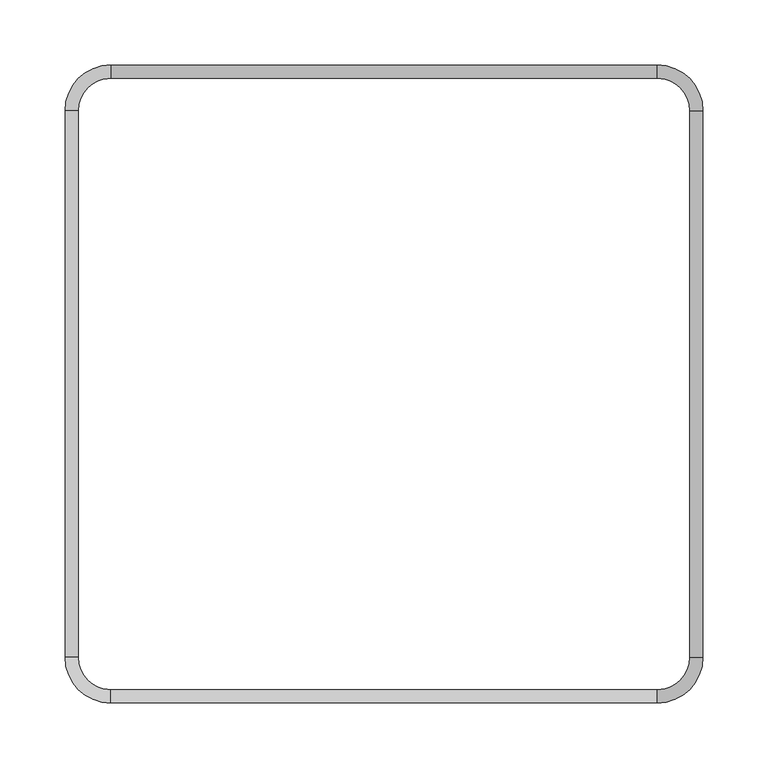
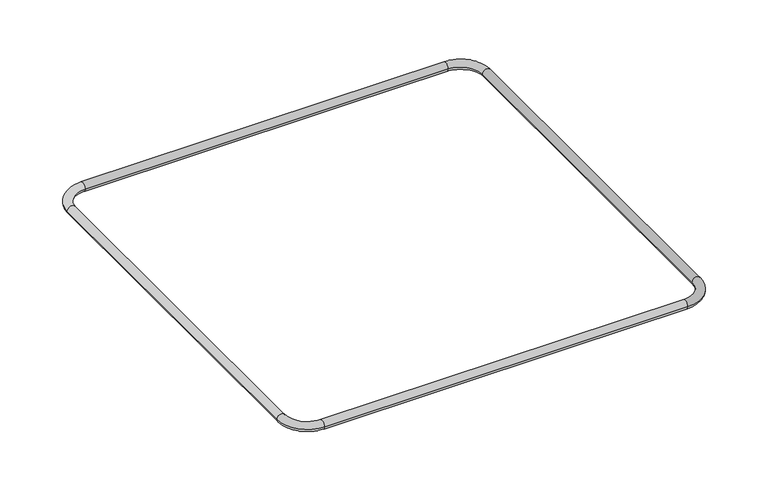
"""IFC4 building model written with IfcOpenShell, lengths in millimetres: beam geometry."""

from ifc_helpers import new_model, si_unit, point, frame, origin, place, context, project, spatial, circle_curve, ellipse_curve, trimmed, source, transform, mapped, element, save
from ifc_brep_helpers import cylinder_surface, revolved_surface, advanced_brep


def beam_b8ff6dec(model_context):
    return source(origin(), model_context, "Body", "AdvancedBrep", [
        advanced_brep(
        [(245.0, 210.0, 0.0), (210.0, 245.0, 0.0), (210.0, 235.0, 0.0), (235.0, 210.0, 0.0), (235.0, -210.0, 0.0), (245.0, -210.0, 0.0), (210.0, -245.0, 0.0), (210.0, -235.0, 0.0), (-210.0, -235.0, 0.0), (-210.0, -245.0, 0.0), (-245.0, -210.0, 0.0), (-235.0, -210.0, 0.0), (-235.0, 210.0, 0.0), (-245.0, 210.0, 0.0), (-210.0, 245.0, 0.0), (-210.0, 235.0, 0.0)],
        [
            (0, 1, circle_curve(frame((210.0, 210.0, 0.0), z_axis=(0.0, 0.0, 1.0), x_axis=(0.0, 1.0, 0.0)), 35.0)),
            (1, 2, circle_curve(frame((210.0, 240.0, 0.0), z_axis=(1.0, 0.0, 0.0), x_axis=(0.0, 1.0, 0.0)), 5.0)),
            (2, 3, circle_curve(frame((210.0, 210.0, 0.0), z_axis=(0.0, 0.0, -1.0), x_axis=(0.0, 1.0, 0.0)), 25.0)),
            (3, 0, circle_curve(frame((240.0, 210.0, 0.0), z_axis=(0.0, 1.0, 0.0), x_axis=(1.0, 0.0, 0.0)), 5.0)),
            (2, 1, circle_curve(frame((210.0, 240.0, 0.0), z_axis=(1.0, 0.0, 0.0), x_axis=(0.0, 1.0, 0.0)), 5.0)),
            (0, 3, circle_curve(frame((240.0, 210.0, 0.0), z_axis=(0.0, 1.0, 0.0), x_axis=(1.0, 0.0, 0.0)), 5.0)),
            (3, 4),
            (4, 5, circle_curve(frame((240.0, -210.0, 0.0), z_axis=(0.0, 1.0, 0.0), x_axis=(1.0, 0.0, 0.0)), 5.0)),
            (5, 0),
            (5, 4, circle_curve(frame((240.0, -210.0, 0.0), z_axis=(0.0, 1.0, 0.0), x_axis=(1.0, 0.0, 0.0)), 5.0)),
            (6, 5, circle_curve(frame((210.0, -210.0, 0.0), z_axis=(0.0, 0.0, 1.0), x_axis=(1.0, 0.0, 0.0)), 35.0)),
            (4, 7, circle_curve(frame((210.0, -210.0, 0.0), z_axis=(0.0, 0.0, -1.0), x_axis=(1.0, 0.0, 0.0)), 25.0)),
            (7, 6, circle_curve(frame((210.0, -240.0, 0.0), z_axis=(1.0, 0.0, 0.0), x_axis=(0.0, -1.0, 0.0)), 5.0)),
            (6, 7, circle_curve(frame((210.0, -240.0, 0.0), z_axis=(1.0, 0.0, 0.0), x_axis=(0.0, -1.0, 0.0)), 5.0)),
            (7, 8),
            (8, 9, circle_curve(frame((-210.0, -240.0, 0.0), z_axis=(1.0, 0.0, 0.0), x_axis=(0.0, -1.0, 0.0)), 5.0)),
            (9, 6),
            (9, 8, circle_curve(frame((-210.0, -240.0, 0.0), z_axis=(1.0, 0.0, 0.0), x_axis=(0.0, -1.0, 0.0)), 5.0)),
            (10, 9, circle_curve(frame((-210.0, -210.0, 0.0), z_axis=(0.0, 0.0, 1.0), x_axis=(0.0, -1.0, 0.0)), 35.0)),
            (8, 11, circle_curve(frame((-210.0, -210.0, 0.0), z_axis=(0.0, 0.0, -1.0), x_axis=(0.0, -1.0, 0.0)), 25.0)),
            (11, 10, circle_curve(frame((-240.0, -210.0, 0.0), z_axis=(0.0, -1.0, 0.0), x_axis=(-1.0, 0.0, 0.0)), 5.0)),
            (10, 11, circle_curve(frame((-240.0, -210.0, 0.0), z_axis=(0.0, -1.0, 0.0), x_axis=(-1.0, 0.0, 0.0)), 5.0)),
            (11, 12),
            (12, 13, circle_curve(frame((-240.0, 210.0, 0.0), z_axis=(0.0, -1.0, 0.0), x_axis=(-1.0, 0.0, 0.0)), 5.0)),
            (13, 10),
            (13, 12, circle_curve(frame((-240.0, 210.0, 0.0), z_axis=(0.0, -1.0, 0.0), x_axis=(-1.0, 0.0, 0.0)), 5.0)),
            (14, 13, circle_curve(frame((-210.0, 210.0, 0.0), z_axis=(0.0, 0.0, 1.0), x_axis=(-1.0, 0.0, 0.0)), 35.0)),
            (12, 15, circle_curve(frame((-210.0, 210.0, 0.0), z_axis=(0.0, 0.0, -1.0), x_axis=(-1.0, 0.0, 0.0)), 25.0)),
            (15, 14, circle_curve(frame((-210.0, 240.0, 0.0), z_axis=(-1.0, 0.0, 0.0), x_axis=(0.0, 1.0, 0.0)), 5.0)),
            (14, 15, circle_curve(frame((-210.0, 240.0, 0.0), z_axis=(-1.0, 0.0, 0.0), x_axis=(0.0, 1.0, 0.0)), 5.0)),
            (15, 2),
            (1, 14),
        ],
        [
            revolved_surface(trimmed(ellipse_curve(frame((210.0, 240.0, 0.0), z_axis=(-1.0, 0.0, 0.0), x_axis=(0.0, 1.0, 0.0)), 5.0, 5.0), [point((210.0, 235.0, 0.0))], [point((210.0, 245.0, 0.0))], True, "CARTESIAN"), (210.0, 210.0, 0.0), (0.0, 0.0, -1.0)),
            revolved_surface(trimmed(ellipse_curve(frame((210.0, 240.0, 0.0), z_axis=(-1.0, 0.0, 0.0), x_axis=(0.0, 1.0, 0.0)), 5.0, 5.0), [point((210.0, 245.0, 0.0))], [point((210.0, 235.0, 0.0))], True, "CARTESIAN"), (210.0, 210.0, 0.0), (0.0, 0.0, -1.0)),
            cylinder_surface(frame((240.0, 210.0, 0.0), z_axis=(0.0, 1.0, 0.0), x_axis=(1.0, 0.0, 0.0)), 5.0),
            revolved_surface(trimmed(ellipse_curve(frame((240.0, -210.0, 0.0), z_axis=(0.0, 1.0, 0.0), x_axis=(1.0, 0.0, 0.0)), 5.0, 5.0), [point((235.0, -210.0, 0.0))], [point((245.0, -210.0, 0.0))], True, "CARTESIAN"), (210.0, -210.0, 0.0), (0.0, 0.0, -1.0)),
            revolved_surface(trimmed(ellipse_curve(frame((240.0, -210.0, 0.0), z_axis=(0.0, 1.0, 0.0), x_axis=(1.0, 0.0, 0.0)), 5.0, 5.0), [point((245.0, -210.0, 0.0))], [point((235.0, -210.0, 0.0))], True, "CARTESIAN"), (210.0, -210.0, 0.0), (0.0, 0.0, -1.0)),
            cylinder_surface(frame((210.0, -240.0, 0.0), z_axis=(1.0, 0.0, 0.0), x_axis=(0.0, -1.0, 0.0)), 5.0),
            revolved_surface(trimmed(ellipse_curve(frame((-210.0, -240.0, 0.0), z_axis=(1.0, 0.0, 0.0), x_axis=(0.0, -1.0, 0.0)), 5.0, 5.0), [point((-210.0, -235.0, 0.0))], [point((-210.0, -245.0, 0.0))], True, "CARTESIAN"), (-210.0, -210.0, 0.0), (0.0, 0.0, -1.0)),
            revolved_surface(trimmed(ellipse_curve(frame((-210.0, -240.0, 0.0), z_axis=(1.0, 0.0, 0.0), x_axis=(0.0, -1.0, 0.0)), 5.0, 5.0), [point((-210.0, -245.0, 0.0))], [point((-210.0, -235.0, 0.0))], True, "CARTESIAN"), (-210.0, -210.0, 0.0), (0.0, 0.0, -1.0)),
            cylinder_surface(frame((-240.0, -210.0, 0.0), z_axis=(0.0, -1.0, 0.0), x_axis=(-1.0, 0.0, 0.0)), 5.0),
            revolved_surface(trimmed(ellipse_curve(frame((-240.0, 210.0, 0.0), z_axis=(0.0, -1.0, 0.0), x_axis=(-1.0, 0.0, 0.0)), 5.0, 5.0), [point((-235.0, 210.0, 0.0))], [point((-245.0, 210.0, 0.0))], True, "CARTESIAN"), (-210.0, 210.0, 0.0), (0.0, 0.0, -1.0)),
            revolved_surface(trimmed(ellipse_curve(frame((-240.0, 210.0, 0.0), z_axis=(0.0, -1.0, 0.0), x_axis=(-1.0, 0.0, 0.0)), 5.0, 5.0), [point((-245.0, 210.0, 0.0))], [point((-235.0, 210.0, 0.0))], True, "CARTESIAN"), (-210.0, 210.0, 0.0), (0.0, 0.0, -1.0)),
            cylinder_surface(frame((-210.0, 240.0, 0.0), z_axis=(-1.0, 0.0, 0.0), x_axis=(0.0, 1.0, 0.0)), 5.0),
        ],
        [
            (0, [[1, 2, 3, 4]]),
            (1, [[-3, 5, -1, 6]]),
            (2, [[-4, 7, 8, 9]]),
            (2, [[-6, -9, 10, -7]]),
            (3, [[11, -8, 12, 13]]),
            (4, [[-12, -10, -11, 14]]),
            (5, [[-13, 15, 16, 17]]),
            (5, [[-14, -17, 18, -15]]),
            (6, [[19, -16, 20, 21]]),
            (7, [[-20, -18, -19, 22]]),
            (8, [[-21, 23, 24, 25]]),
            (8, [[-22, -25, 26, -23]]),
            (9, [[27, -24, 28, 29]]),
            (10, [[-28, -26, -27, 30]]),
            (11, [[-29, 31, -2, 32]]),
            (11, [[-30, -32, -5, -31]]),
        ],
    ),
    ])


if __name__ == "__main__":
    model = new_model("IFC4")
    model_context = context("Model", 3, world=origin())
    ifc_project = project(units=[si_unit("LENGTHUNIT", "METRE", prefix="MILLI")], contexts=[model_context])
    site = spatial("IfcSite", under=ifc_project)
    building = spatial("IfcBuilding", under=site)
    placement = place(None, origin())
    beam_shape = beam_b8ff6dec(model_context)
    element("IfcBeam", 1, at=placement, inside=building, context=model_context, shape_type="MappedRepresentation", body=[
        mapped(beam_shape, transform((0.0, 0.0, 0.0), x_axis=(1.0, 0.0, 0.0), y_axis=(0.0, 1.0, 0.0), z_axis=(0.0, 0.0, 1.0))),
    ])
    save(model, "model.ifc")
